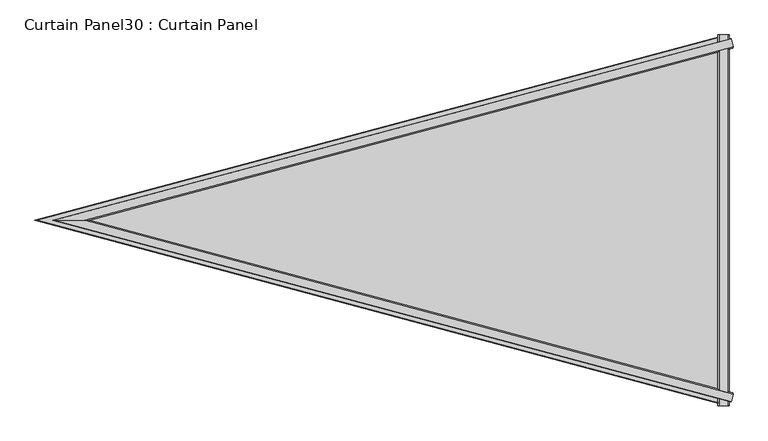
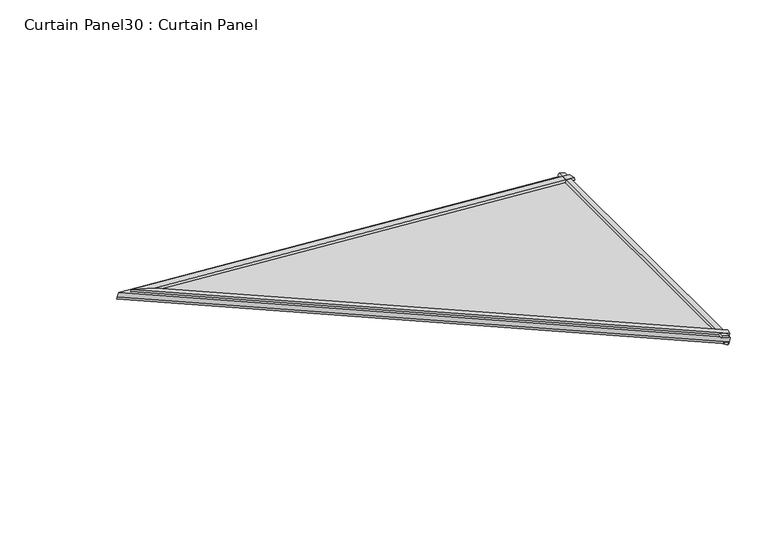
"""IFC4 building model written with IfcOpenShell, lengths in millimetres: plate geometry, Curtain Panel30 : Curtain Panel."""

from ifc_helpers import new_model, si_unit, frame, origin, place, context, project, spatial, polyline, outline, extrude, faceted_brep, source, transform, mapped, element, save


def curtain_panel30_curtain_panel_1a75bf48(model_context):
    return source(origin(), model_context, "Body", "SolidModel", [
        faceted_brep([(-10733.6883717, -13349.5327317, 3572.6569365), (-10738.3719053, -13330.7062542, 3573.9561554), (-10736.9963276, -13330.7062542, 3578.9149535), (-10733.0062592, -13346.7055403, 3577.8464051), (-10733.6881226, -14052.478037, 3572.6568674), (-10733.0060101, -14055.3052285, 3577.846336), (-10736.9960785, -14071.3045145, 3578.9148844), (-10738.3716561, -14071.3045145, 3573.9560863), (-12045.5582718, -13701.005351, 3936.5715051), (-12120.5115442, -13701.005351, 3957.363649), (-12119.1359666, -13701.005351, 3962.3224472), (-12055.4286382, -13701.005351, 3944.6882463)], [[[0, 1, 2, 3]], [[4, 5, 6, 7]], [[1, 0, 8, 4, 7, 9]], [[2, 1, 9, 10]], [[3, 2, 10, 11]], [[0, 3, 11, 8]], [[10, 9, 7, 6]], [[11, 10, 6, 5]], [[8, 11, 5, 4]]]),
        faceted_brep([(-10745.1724272, -13322.733265, 3557.1414601), (-10743.7766986, -13322.733265, 3562.1729001), (-10741.1017432, -13333.4858275, 3561.4308637), (-10742.2119094, -13333.7832956, 3557.1415452), (-10745.172178, -14079.2775038, 3557.1413909), (-10742.2116602, -14068.2274731, 3557.1414761), (-10741.1014941, -14068.5249413, 3561.4307946), (-10743.7764494, -14079.2775038, 3562.172831), (-12157.0712109, -13701.005351, 3948.8041826), (-12155.6754823, -13701.005351, 3953.8356227), (-12112.866638, -13701.005351, 3941.9603886), (-12112.8665057, -13701.005351, 3937.3630717)], [[[0, 1, 2, 3]], [[4, 5, 6, 7]], [[1, 0, 8, 9]], [[2, 1, 9, 7, 6, 10]], [[3, 2, 10, 11]], [[0, 3, 11, 8]], [[9, 8, 4, 7]], [[11, 10, 6, 5]], [[8, 11, 5, 4]]]),
        extrude(outline(polyline([(3580.8195107, -10743.9169435), (3585.4152882, -10759.9364874), (3581.0491211, -10763.9412258), (3575.5385399, -10744.0762185), (3580.8195107, -10743.9169435)])), frame((0.0, -14079.2980543, 0.0), z_axis=(0.0, 1.0, 0.0), x_axis=(0.0, 0.0, 1.0)), (0.0, 0.0, 1.0), 756.585279),
        extrude(outline(polyline([(3561.2987444, -10757.3883883), (3555.5498249, -10747.823388), (3562.1885866, -10743.8332464), (3565.8556949, -10757.0527474), (3561.2987444, -10757.3883883)])), frame((0.0, -14079.2980543, 0.0), z_axis=(0.0, 1.0, 0.0), x_axis=(0.0, 0.0, 1.0)), (0.0, 0.0, 1.0), 756.585279),
        extrude(outline(polyline([(-16.2581759, 0.0), (-394.5508165, -1465.2955954), (-772.843457, 0.0), (-16.2581759, 0.0)])), frame((-10743.7817959, -14095.5561675, 3562.1743141), z_axis=(0.2673071603635659, 0.0, 0.9636113749942801), x_axis=(0.0, -1.0, 0.0)), (0.0, 0.0, 1.0), 12.7992187),
    ])


if __name__ == "__main__":
    model = new_model("IFC4")
    model_context = context("Model", 3, world=origin())
    ifc_project = project(units=[si_unit("LENGTHUNIT", "METRE", prefix="MILLI")], contexts=[model_context])
    site = spatial("IfcSite", under=ifc_project)
    building = spatial("IfcBuilding", under=site)
    placement = place(None, origin())
    curtain_panel30_curtain_panel_shape = curtain_panel30_curtain_panel_1a75bf48(model_context)
    element("IfcPlate", 1, ObjectType="Curtain Panel30 : Curtain Panel", at=placement, inside=building, context=model_context, shape_type="MappedRepresentation", body=[
        mapped(curtain_panel30_curtain_panel_shape, transform((0.0, 0.0, 0.0), x_axis=(1.0, 0.0, 0.0), y_axis=(0.0, 1.0, 0.0), z_axis=(0.0, 0.0, 1.0))),
    ])
    save(model, "model.ifc")
